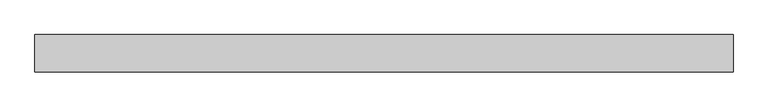
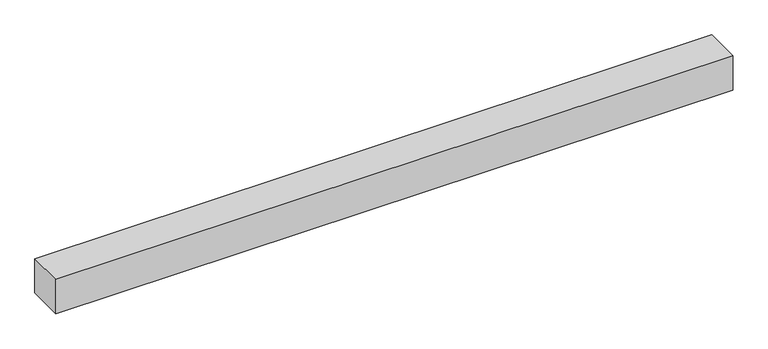
"""IFC4 building model written with IfcOpenShell, lengths in millimetres: beam geometry."""

import ifcopenshell
import ifcopenshell.guid

model = None  # the IFC model being written
_history = None  # IfcOwnerHistory: only IFC2X3 demands one
_inside = {}  # id of a spatial element -> (the spatial element, [elements in it])
_under = {}  # id of a project, library or spatial element -> (it, [spatial elements below it])
_declared = {}  # id of a project -> (the project, [libraries it declares])
_typed = {}  # id of a type object -> (the type object, [elements of that type])
_made_of = {}  # id of a material, layer set ... -> (it, [elements and type objects made of it])


def new_model(schema):
    """Start an empty IFC model of exactly this schema.

    Asked for "IFC4X3", IfcOpenShell would pick the latest addendum, in which some entities
    have other attributes; the version numbers below select the first issue.
    IFC2X3 requires an IfcOwnerHistory on every rooted entity: one is made here for all.
    """
    global model, _history
    if schema == "IFC4X3":
        model = ifcopenshell.file(schema_version=(4, 3, 0, 0))
    else:
        model = ifcopenshell.file(schema=schema)
    _inside.clear()
    _under.clear()
    _declared.clear()
    _typed.clear()
    _made_of.clear()
    _history = None
    if model.schema == "IFC2X3":
        org = make("IfcOrganization", Name="unknown")
        user = make(
            "IfcPersonAndOrganization",
            ThePerson=make("IfcPerson", FamilyName="unknown"),
            TheOrganization=org,
        )
        app = make(
            "IfcApplication",
            ApplicationDeveloper=org,
            Version="unknown",
            ApplicationFullName="unknown",
            ApplicationIdentifier="unknown",
        )
        _history = make(
            "IfcOwnerHistory",
            OwningUser=user,
            OwningApplication=app,
            ChangeAction="ADDED",
            CreationDate=0,
        )
    return model


def make(cls, **values):
    """One entity of the class cls with the attributes given. An attribute that is None is left unset."""
    return model.create_entity(
        cls, **{name: value for name, value in values.items() if value is not None}
    )


def rooted(cls, **values):
    """An entity with a GlobalId (a new one), such as an element, a storey or a relation."""
    return make(cls, GlobalId=ifcopenshell.guid.new(), OwnerHistory=_history, **values)


def si_unit(unit_type, name, prefix=None):
    """IfcSIUnit, for example si_unit("LENGTHUNIT", "METRE", prefix="MILLI")."""
    return make("IfcSIUnit", UnitType=unit_type, Prefix=prefix, Name=name)


def assignment(units):
    """IfcUnitAssignment: the units of a project."""
    return None if units is None else make("IfcUnitAssignment", Units=units)


def point(xyz):
    """IfcCartesianPoint."""
    return None if xyz is None else make("IfcCartesianPoint", Coordinates=xyz)


def direction(xyz):
    """IfcDirection."""
    return None if xyz is None else make("IfcDirection", DirectionRatios=xyz)


def frame(location, z_axis=None, x_axis=None):
    """IfcAxis2Placement3D, a coordinate frame: its origin and axes. An axis left out is left unset."""
    return make(
        "IfcAxis2Placement3D",
        Location=point(location),
        Axis=direction(z_axis),
        RefDirection=direction(x_axis),
    )


def origin():
    """The frame at (0, 0, 0) with its axes left unset."""
    return frame((0.0, 0.0, 0.0))


def place(relative_to, where):
    """IfcLocalPlacement: puts the frame where relative to a parent placement (None: the world)."""
    return make(
        "IfcLocalPlacement", PlacementRelTo=relative_to, RelativePlacement=where
    )


def context(
    kind, dimensions, precision=None, world=None, true_north=None, identifier=None
):
    """IfcGeometricRepresentationContext, for example the 3D "Model" context."""
    return make(
        "IfcGeometricRepresentationContext",
        ContextIdentifier=identifier,
        ContextType=kind,
        CoordinateSpaceDimension=dimensions,
        Precision=precision,
        WorldCoordinateSystem=world,
        TrueNorth=true_north,
    )


def project(units=None, contexts=None):
    """IfcProject with its units and contexts."""
    return rooted(
        "IfcProject",
        Name="project",
        RepresentationContexts=contexts,
        UnitsInContext=assignment(units),
    )


def spatial(cls, under=None, at=None, **own):
    """A site, building, storey or space (cls), placed at a placement, below another one or the project."""
    s = rooted(cls, ObjectPlacement=at, **own)
    if under is not None:
        _under.setdefault(under.id(), (under, []))[1].append(s)
    return s


def polyline(points):
    """IfcPolyline through the points."""
    return make("IfcPolyline", Points=[point(p) for p in points])


def outline(outer, holes=None, kind="AREA"):
    """IfcArbitraryClosedProfileDef: a profile drawn as a closed curve; with holes, ...WithVoids."""
    if holes is None:
        return make("IfcArbitraryClosedProfileDef", ProfileType=kind, OuterCurve=outer)
    return make(
        "IfcArbitraryProfileDefWithVoids",
        ProfileType=kind,
        OuterCurve=outer,
        InnerCurves=holes,
    )


def extrude(swept, where, along, depth):
    """IfcExtrudedAreaSolid: the profile swept, set in the frame where, extruded along a direction by depth."""
    return make(
        "IfcExtrudedAreaSolid",
        SweptArea=swept,
        Position=where,
        ExtrudedDirection=direction(along),
        Depth=depth,
    )


def shape(context_of_items, identifier, shape_type, items):
    """IfcShapeRepresentation: the items that make up one representation, for example the "Body"."""
    return make(
        "IfcShapeRepresentation",
        ContextOfItems=context_of_items,
        RepresentationIdentifier=identifier,
        RepresentationType=shape_type,
        Items=items,
    )


def source(mapping_origin, context_of_items, identifier, shape_type, items):
    """IfcRepresentationMap: a shape defined once, which mapped items show again and again."""
    return make(
        "IfcRepresentationMap",
        MappingOrigin=mapping_origin,
        MappedRepresentation=shape(context_of_items, identifier, shape_type, items),
    )


def transform(
    local_origin,
    x_axis=None,
    y_axis=None,
    z_axis=None,
    scale=None,
    scale2=None,
    scale3=None,
    uniform=True,
):
    """IfcCartesianTransformationOperator3D, or its non-uniform kind. x_axis, y_axis, z_axis: its Axis1, 2, 3."""
    if uniform:
        return make(
            "IfcCartesianTransformationOperator3D",
            Axis1=direction(x_axis),
            Axis2=direction(y_axis),
            LocalOrigin=point(local_origin),
            Scale=scale,
            Axis3=direction(z_axis),
        )
    return make(
        "IfcCartesianTransformationOperator3DnonUniform",
        Axis1=direction(x_axis),
        Axis2=direction(y_axis),
        LocalOrigin=point(local_origin),
        Scale=scale,
        Axis3=direction(z_axis),
        Scale2=scale2,
        Scale3=scale3,
    )


def mapped(mapping_source, mapping_target):
    """IfcMappedItem: shows the shape of a source again, moved by a transform."""
    return make(
        "IfcMappedItem", MappingSource=mapping_source, MappingTarget=mapping_target
    )


def made_of(thing, what):
    """Note that an element or type object is made of a material, layer set ...; save() writes the relation."""
    if what is not None:
        _made_of.setdefault(what.id(), (what, []))[1].append(thing)
    return thing


def element(
    cls,
    number,
    at=None,
    inside=None,
    cuts=None,
    type_object=None,
    material=None,
    context=None,
    identifier="Body",
    shape_type=None,
    held_by="IfcProductDefinitionShape",
    body=None,
    shapes=None,
    **own,
):
    """One element of the class cls, such as IfcWall. Its Tag is "e" and its number.

    at: its placement. inside: the storey or other place that contains it. cuts: it is an
    opening in that element (IfcRelVoidsElement). A single representation is given by context,
    identifier, shape_type and body (its items); several are given by shapes. held_by: the class
    of the entity that holds the representations. save() writes the other relations.
    """
    e = rooted(cls, Tag="e%d" % number, ObjectPlacement=at, **own)
    if body is not None:
        shapes = [shape(context, identifier, shape_type, body)]
    if shapes is not None:
        e.Representation = make(held_by, Representations=shapes)
    if inside is not None:
        _inside.setdefault(inside.id(), (inside, []))[1].append(e)
    if cuts is not None:
        rooted(
            "IfcRelVoidsElement", RelatingBuildingElement=cuts, RelatedOpeningElement=e
        )
    if type_object is not None:
        _typed.setdefault(type_object.id(), (type_object, []))[1].append(e)
    return made_of(e, material)


def aggregate(whole, parts):
    """IfcRelAggregates: a whole, such as a stair, and the parts it consists of."""
    return rooted("IfcRelAggregates", RelatingObject=whole, RelatedObjects=parts)


def save(model, path):
    """Write the relations noted so far, then the file.

    IfcRelAggregates (storeys below a building ...), IfcRelContainedInSpatialStructure (elements
    in a storey), IfcRelDefinesByType, IfcRelAssociatesMaterial and IfcRelDeclares: one each for
    every whole, place, type object, material and project.
    """
    for whole, parts in _under.values():
        aggregate(whole, parts)
    for where, things in _inside.values():
        rooted(
            "IfcRelContainedInSpatialStructure",
            RelatedElements=things,
            RelatingStructure=where,
        )
    for kind, things in _typed.values():
        rooted("IfcRelDefinesByType", RelatedObjects=things, RelatingType=kind)
    for what, things in _made_of.values():
        rooted("IfcRelAssociatesMaterial", RelatedObjects=things, RelatingMaterial=what)
    for by, libraries in _declared.values():
        rooted("IfcRelDeclares", RelatingContext=by, RelatedDefinitions=libraries)
    model.write(path)


def beam_984e4502(model_context):
    return source(origin(), model_context, "Body", "SweptSolid", [
        extrude(outline(polyline([(6050.0, 75.0), (6050.0, -75.0), (3250.0, -75.0), (3250.0, 75.0), (6050.0, 75.0)])), frame((0.0, 0.0, -75.0), z_axis=(0.0, 0.0, 1.0), x_axis=(1.0, 0.0, 0.0)), (0.0, 0.0, 1.0), 150.0),
    ])


if __name__ == "__main__":
    model = new_model("IFC4")
    model_context = context("Model", 3, world=origin())
    ifc_project = project(units=[si_unit("LENGTHUNIT", "METRE", prefix="MILLI")], contexts=[model_context])
    site = spatial("IfcSite", under=ifc_project)
    building = spatial("IfcBuilding", under=site)
    placement = place(None, origin())
    beam_shape = beam_984e4502(model_context)
    element("IfcBeam", 1, at=placement, inside=building, context=model_context, shape_type="MappedRepresentation", body=[
        mapped(beam_shape, transform((0.0, 0.0, 0.0), x_axis=(1.0, 0.0, 0.0), y_axis=(0.0, 1.0, 0.0), z_axis=(0.0, 0.0, 1.0))),
    ])
    save(model, "model.ifc")
